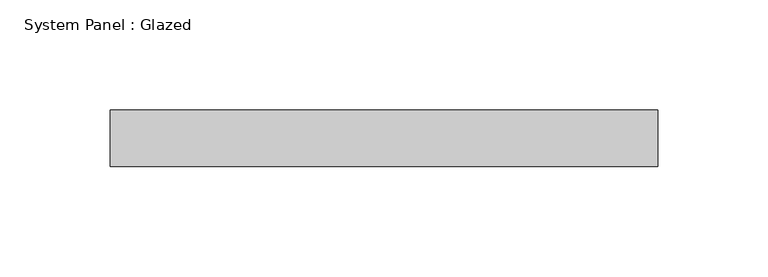
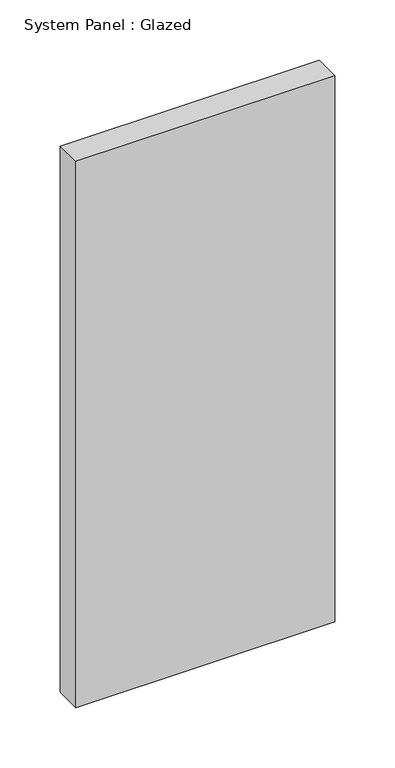
"""IFC4 building model written with IfcOpenShell, lengths in millimetres: plate geometry, System Panel : Glazed."""

from ifc_helpers import new_model, si_unit, origin, origin_with_axes, place, context, project, spatial, polyline, outline, extrude, source, transform, mapped, element, save


def system_panel_glazed_a420840e(model_context):
    return source(origin(), model_context, "Body", "SweptSolid", [
        extrude(outline(polyline([(123.825, -12.7), (-123.825, -12.7), (-123.825, 12.7), (123.825, 12.7), (123.825, -12.7)])), origin_with_axes(), (0.0, 0.0, 1.0), 552.45),
    ])


if __name__ == "__main__":
    model = new_model("IFC4")
    model_context = context("Model", 3, world=origin())
    ifc_project = project(units=[si_unit("LENGTHUNIT", "METRE", prefix="MILLI")], contexts=[model_context])
    site = spatial("IfcSite", under=ifc_project)
    building = spatial("IfcBuilding", under=site)
    placement = place(None, origin())
    system_panel_glazed_shape = system_panel_glazed_a420840e(model_context)
    element("IfcPlate", 1, ObjectType="System Panel : Glazed", at=placement, inside=building, context=model_context, shape_type="MappedRepresentation", body=[
        mapped(system_panel_glazed_shape, transform((0.0, 0.0, 0.0), x_axis=(1.0, 0.0, 0.0), y_axis=(0.0, 1.0, 0.0), z_axis=(0.0, 0.0, 1.0))),
    ])
    save(model, "model.ifc")
